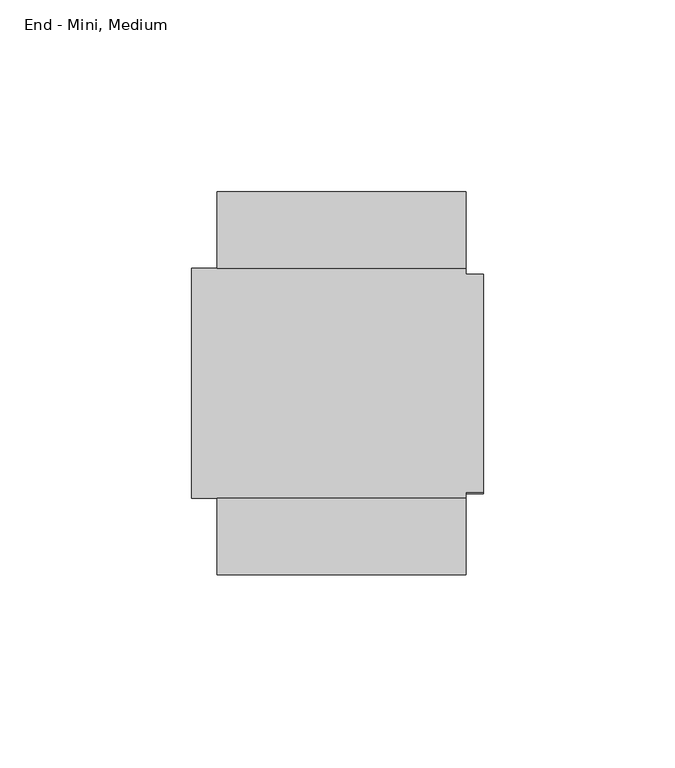
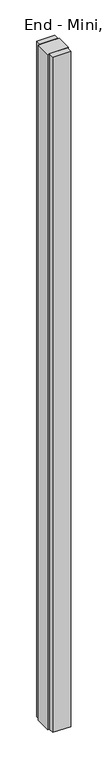
"""IFC4 building model written with IfcOpenShell, lengths in millimetres: furniture geometry, End - Mini, Medium."""

from ifc_helpers import new_model, si_unit, origin, origin_with_axes, place, context, project, spatial, polyline, outline, extrude, faceted_brep, source, transform, mapped, element, save


def end_mini_medium_413bbd35(model_context):
    return source(origin(), model_context, "Body", "SolidModel", [
        extrude(outline(polyline([(-69.4944, -2236.0001), (-4.4958, -2236.0001), (-4.4958, -2255.9899), (-69.4944, -2255.9899), (-69.4944, -2236.0001)])), origin_with_axes(), (0.0, 0.0, 1.0), 2590.8),
        extrude(outline(polyline([(-4.4958, -2335.9999), (-69.4944, -2335.9999), (-69.4944, -2316.0101), (-4.4958, -2316.0101), (-4.4958, -2335.9999)])), origin_with_axes(), (0.0, 0.0, 1.0), 2590.8),
        faceted_brep([(-4.4958, -2255.9899, 2590.8), (-76.2, -2255.9899, 2590.8), (-76.2, -2316.0101, 2590.8), (-4.4958, -2316.0101, 2590.8), (-4.4958, -2314.448, 2590.8), (0.0, -2314.448, 2590.8), (0.0, -2257.552, 2590.8), (-4.4958, -2257.552, 2590.8), (-4.4958, -2316.0101, 0.0), (-76.2, -2316.0101, 0.0), (-76.2, -2255.9899, 0.0), (-4.4958, -2255.9899, 0.0), (-4.4958, -2257.552, 0.0), (0.0, -2257.552, 0.0), (0.0, -2314.448, 0.0), (-4.4958, -2314.448, 0.0), (-4.4958, -2257.552, 2535.682), (-4.4958, -2260.854, 2535.682), (-4.4958, -2260.854, 55.118), (-4.4958, -2257.552, 55.118), (-4.4958, -2314.448, 55.118), (-4.4958, -2311.146, 55.118), (-4.4958, -2311.146, 2535.682), (-4.4958, -2314.448, 2535.682), (0.0, -2260.854, 55.118), (0.0, -2260.854, 2535.682), (0.0, -2257.552, 2535.682), (0.0, -2314.448, 2535.682), (0.0, -2311.146, 2535.682), (0.0, -2311.146, 55.118), (0.0, -2314.448, 55.118), (0.0, -2257.552, 55.118)], [[[0, 1, 2, 3, 4, 5, 6, 7]], [[8, 9, 10, 11, 12, 13, 14, 15]], [[1, 0, 11, 10]], [[2, 1, 10, 9]], [[3, 2, 9, 8]], [[11, 0, 7, 16, 17, 18, 19, 12]], [[3, 8, 15, 20, 21, 22, 23, 4]], [[24, 25, 26, 6, 5, 27, 28, 29, 30, 14, 13, 31]], [[25, 24, 18, 17]], [[26, 25, 17, 16]], [[6, 26, 16, 7]], [[27, 5, 4, 23]], [[28, 27, 23, 22]], [[29, 28, 22, 21]], [[30, 29, 21, 20]], [[14, 30, 20, 15]], [[31, 13, 12, 19]], [[24, 31, 19, 18]]]),
    ])


if __name__ == "__main__":
    model = new_model("IFC4")
    model_context = context("Model", 3, world=origin())
    ifc_project = project(units=[si_unit("LENGTHUNIT", "METRE", prefix="MILLI")], contexts=[model_context])
    site = spatial("IfcSite", under=ifc_project)
    building = spatial("IfcBuilding", under=site)
    placement = place(None, origin())
    end_mini_medium_shape = end_mini_medium_413bbd35(model_context)
    element("IfcFurniture", 1, ObjectType="End - Mini, Medium", at=placement, inside=building, context=model_context, shape_type="MappedRepresentation", body=[
        mapped(end_mini_medium_shape, transform((0.0, 0.0, 0.0), x_axis=(1.0, 0.0, 0.0), y_axis=(0.0, 1.0, 0.0), z_axis=(0.0, 0.0, 1.0))),
    ])
    save(model, "model.ifc")
